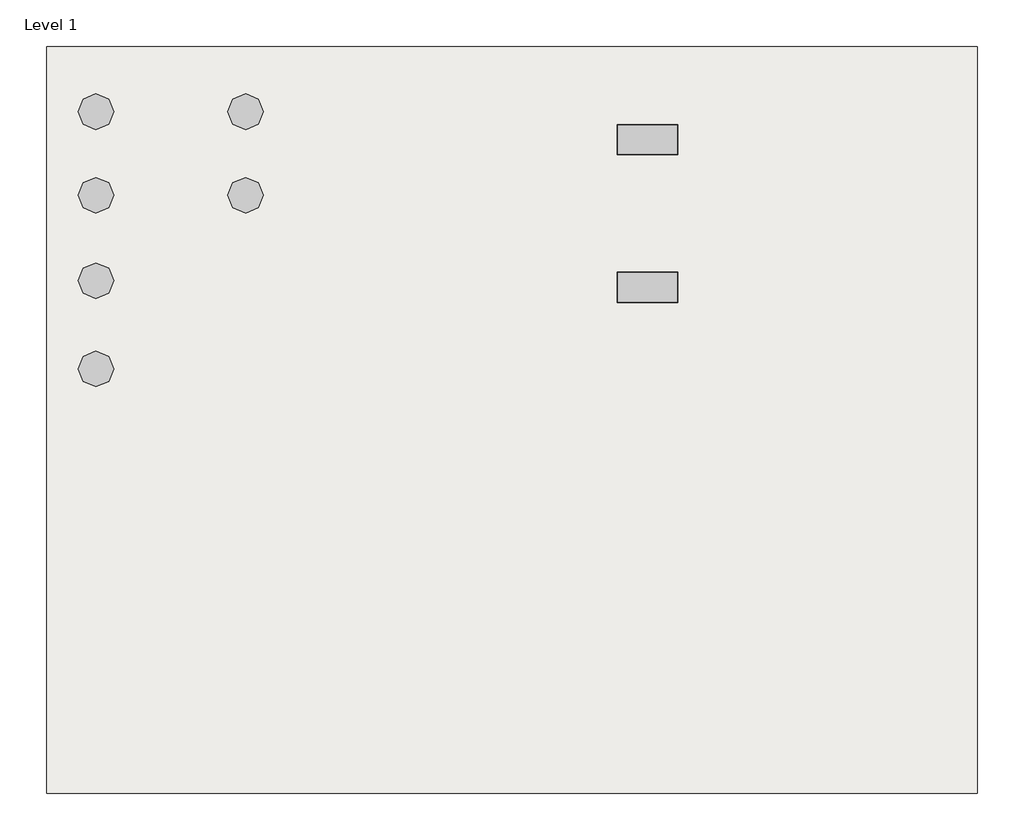
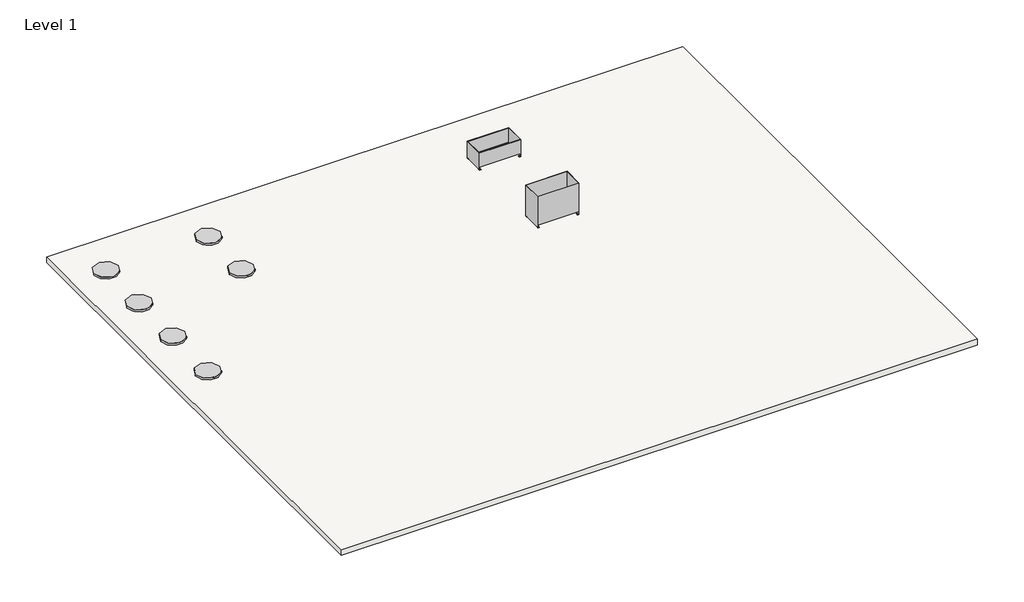
# One storey: 6 proxies, 2 furniture elements, 1 slab.
"""IFC4 building model written with IfcOpenShell, lengths in millimetres."""

import ifcopenshell
import ifcopenshell.guid

model = None  # the IFC model being written
_history = None  # IfcOwnerHistory: only IFC2X3 demands one
_inside = {}  # id of a spatial element -> (the spatial element, [elements in it])
_under = {}  # id of a project, library or spatial element -> (it, [spatial elements below it])
_declared = {}  # id of a project -> (the project, [libraries it declares])
_typed = {}  # id of a type object -> (the type object, [elements of that type])
_made_of = {}  # id of a material, layer set ... -> (it, [elements and type objects made of it])


def new_model(schema):
    """Start an empty IFC model of exactly this schema.

    Asked for "IFC4X3", IfcOpenShell would pick the latest addendum, in which some entities
    have other attributes; the version numbers below select the first issue.
    IFC2X3 requires an IfcOwnerHistory on every rooted entity: one is made here for all.
    """
    global model, _history
    if schema == "IFC4X3":
        model = ifcopenshell.file(schema_version=(4, 3, 0, 0))
    else:
        model = ifcopenshell.file(schema=schema)
    _inside.clear()
    _under.clear()
    _declared.clear()
    _typed.clear()
    _made_of.clear()
    _history = None
    if model.schema == "IFC2X3":
        org = make("IfcOrganization", Name="unknown")
        user = make(
            "IfcPersonAndOrganization",
            ThePerson=make("IfcPerson", FamilyName="unknown"),
            TheOrganization=org,
        )
        app = make(
            "IfcApplication",
            ApplicationDeveloper=org,
            Version="unknown",
            ApplicationFullName="unknown",
            ApplicationIdentifier="unknown",
        )
        _history = make(
            "IfcOwnerHistory",
            OwningUser=user,
            OwningApplication=app,
            ChangeAction="ADDED",
            CreationDate=0,
        )
    return model


def make(cls, **values):
    """One entity of the class cls with the attributes given. An attribute that is None is left unset."""
    return model.create_entity(
        cls, **{name: value for name, value in values.items() if value is not None}
    )


def rooted(cls, **values):
    """An entity with a GlobalId (a new one), such as an element, a storey or a relation."""
    return make(cls, GlobalId=ifcopenshell.guid.new(), OwnerHistory=_history, **values)


def si_unit(unit_type, name, prefix=None):
    """IfcSIUnit, for example si_unit("LENGTHUNIT", "METRE", prefix="MILLI")."""
    return make("IfcSIUnit", UnitType=unit_type, Prefix=prefix, Name=name)


def assignment(units):
    """IfcUnitAssignment: the units of a project."""
    return None if units is None else make("IfcUnitAssignment", Units=units)


def point(xyz):
    """IfcCartesianPoint."""
    return None if xyz is None else make("IfcCartesianPoint", Coordinates=xyz)


def direction(xyz):
    """IfcDirection."""
    return None if xyz is None else make("IfcDirection", DirectionRatios=xyz)


def frame(location, z_axis=None, x_axis=None):
    """IfcAxis2Placement3D, a coordinate frame: its origin and axes. An axis left out is left unset."""
    return make(
        "IfcAxis2Placement3D",
        Location=point(location),
        Axis=direction(z_axis),
        RefDirection=direction(x_axis),
    )


def frame_2d(location, x_axis=None):
    """IfcAxis2Placement2D, a coordinate frame in the plane: its origin and x axis."""
    return make(
        "IfcAxis2Placement2D", Location=point(location), RefDirection=direction(x_axis)
    )


def origin():
    """The frame at (0, 0, 0) with its axes left unset."""
    return frame((0.0, 0.0, 0.0))


def origin_with_axes():
    """The frame at (0, 0, 0) with the z axis (0, 0, 1) and the x axis (1, 0, 0) written out."""
    return frame((0.0, 0.0, 0.0), z_axis=(0.0, 0.0, 1.0), x_axis=(1.0, 0.0, 0.0))


def origin_2d():
    """The frame at (0, 0) in the plane with its x axis left unset."""
    return frame_2d((0.0, 0.0))


def place(relative_to, where):
    """IfcLocalPlacement: puts the frame where relative to a parent placement (None: the world)."""
    return make(
        "IfcLocalPlacement", PlacementRelTo=relative_to, RelativePlacement=where
    )


def context(
    kind, dimensions, precision=None, world=None, true_north=None, identifier=None
):
    """IfcGeometricRepresentationContext, for example the 3D "Model" context."""
    return make(
        "IfcGeometricRepresentationContext",
        ContextIdentifier=identifier,
        ContextType=kind,
        CoordinateSpaceDimension=dimensions,
        Precision=precision,
        WorldCoordinateSystem=world,
        TrueNorth=true_north,
    )


def project(units=None, contexts=None):
    """IfcProject with its units and contexts."""
    return rooted(
        "IfcProject",
        Name="project",
        RepresentationContexts=contexts,
        UnitsInContext=assignment(units),
    )


def spatial(cls, under=None, at=None, **own):
    """A site, building, storey or space (cls), placed at a placement, below another one or the project."""
    s = rooted(cls, ObjectPlacement=at, **own)
    if under is not None:
        _under.setdefault(under.id(), (under, []))[1].append(s)
    return s


def polyline(points):
    """IfcPolyline through the points."""
    return make("IfcPolyline", Points=[point(p) for p in points])


def circle_curve(where, radius):
    """IfcCircle in the frame where."""
    return make("IfcCircle", Position=where, Radius=radius)


def trimmed(basis, trim1, trim2, sense, master):
    """IfcTrimmedCurve: the piece of a basis curve between two trims."""
    return make(
        "IfcTrimmedCurve",
        BasisCurve=basis,
        Trim1=trim1,
        Trim2=trim2,
        SenseAgreement=sense,
        MasterRepresentation=master,
    )


def segment(curve, same_sense, transition):
    """IfcCompositeCurveSegment."""
    return make(
        "IfcCompositeCurveSegment",
        Transition=transition,
        SameSense=same_sense,
        ParentCurve=curve,
    )


def composite_curve(segments, self_intersect=None):
    """IfcCompositeCurve: segments joined end to end."""
    return make("IfcCompositeCurve", Segments=segments, SelfIntersect=self_intersect)


def outline(outer, holes=None, kind="AREA"):
    """IfcArbitraryClosedProfileDef: a profile drawn as a closed curve; with holes, ...WithVoids."""
    if holes is None:
        return make("IfcArbitraryClosedProfileDef", ProfileType=kind, OuterCurve=outer)
    return make(
        "IfcArbitraryProfileDefWithVoids",
        ProfileType=kind,
        OuterCurve=outer,
        InnerCurves=holes,
    )


def extrude(swept, where, along, depth):
    """IfcExtrudedAreaSolid: the profile swept, set in the frame where, extruded along a direction by depth."""
    return make(
        "IfcExtrudedAreaSolid",
        SweptArea=swept,
        Position=where,
        ExtrudedDirection=direction(along),
        Depth=depth,
    )


def shape(context_of_items, identifier, shape_type, items):
    """IfcShapeRepresentation: the items that make up one representation, for example the "Body"."""
    return make(
        "IfcShapeRepresentation",
        ContextOfItems=context_of_items,
        RepresentationIdentifier=identifier,
        RepresentationType=shape_type,
        Items=items,
    )


def source(mapping_origin, context_of_items, identifier, shape_type, items):
    """IfcRepresentationMap: a shape defined once, which mapped items show again and again."""
    return make(
        "IfcRepresentationMap",
        MappingOrigin=mapping_origin,
        MappedRepresentation=shape(context_of_items, identifier, shape_type, items),
    )


def transform(
    local_origin,
    x_axis=None,
    y_axis=None,
    z_axis=None,
    scale=None,
    scale2=None,
    scale3=None,
    uniform=True,
):
    """IfcCartesianTransformationOperator3D, or its non-uniform kind. x_axis, y_axis, z_axis: its Axis1, 2, 3."""
    if uniform:
        return make(
            "IfcCartesianTransformationOperator3D",
            Axis1=direction(x_axis),
            Axis2=direction(y_axis),
            LocalOrigin=point(local_origin),
            Scale=scale,
            Axis3=direction(z_axis),
        )
    return make(
        "IfcCartesianTransformationOperator3DnonUniform",
        Axis1=direction(x_axis),
        Axis2=direction(y_axis),
        LocalOrigin=point(local_origin),
        Scale=scale,
        Axis3=direction(z_axis),
        Scale2=scale2,
        Scale3=scale3,
    )


def mapped(mapping_source, mapping_target):
    """IfcMappedItem: shows the shape of a source again, moved by a transform."""
    return make(
        "IfcMappedItem", MappingSource=mapping_source, MappingTarget=mapping_target
    )


def made_of(thing, what):
    """Note that an element or type object is made of a material, layer set ...; save() writes the relation."""
    if what is not None:
        _made_of.setdefault(what.id(), (what, []))[1].append(thing)
    return thing


def element(
    cls,
    number,
    at=None,
    inside=None,
    cuts=None,
    type_object=None,
    material=None,
    context=None,
    identifier="Body",
    shape_type=None,
    held_by="IfcProductDefinitionShape",
    body=None,
    shapes=None,
    **own,
):
    """One element of the class cls, such as IfcWall. Its Tag is "e" and its number.

    at: its placement. inside: the storey or other place that contains it. cuts: it is an
    opening in that element (IfcRelVoidsElement). A single representation is given by context,
    identifier, shape_type and body (its items); several are given by shapes. held_by: the class
    of the entity that holds the representations. save() writes the other relations.
    """
    e = rooted(cls, Tag="e%d" % number, ObjectPlacement=at, **own)
    if body is not None:
        shapes = [shape(context, identifier, shape_type, body)]
    if shapes is not None:
        e.Representation = make(held_by, Representations=shapes)
    if inside is not None:
        _inside.setdefault(inside.id(), (inside, []))[1].append(e)
    if cuts is not None:
        rooted(
            "IfcRelVoidsElement", RelatingBuildingElement=cuts, RelatedOpeningElement=e
        )
    if type_object is not None:
        _typed.setdefault(type_object.id(), (type_object, []))[1].append(e)
    return made_of(e, material)


def aggregate(whole, parts):
    """IfcRelAggregates: a whole, such as a stair, and the parts it consists of."""
    return rooted("IfcRelAggregates", RelatingObject=whole, RelatedObjects=parts)


def save(model, path):
    """Write the relations noted so far, then the file.

    IfcRelAggregates (storeys below a building ...), IfcRelContainedInSpatialStructure (elements
    in a storey), IfcRelDefinesByType, IfcRelAssociatesMaterial and IfcRelDeclares: one each for
    every whole, place, type object, material and project.
    """
    for whole, parts in _under.values():
        aggregate(whole, parts)
    for where, things in _inside.values():
        rooted(
            "IfcRelContainedInSpatialStructure",
            RelatedElements=things,
            RelatingStructure=where,
        )
    for kind, things in _typed.values():
        rooted("IfcRelDefinesByType", RelatedObjects=things, RelatingType=kind)
    for what, things in _made_of.values():
        rooted("IfcRelAssociatesMaterial", RelatedObjects=things, RelatingMaterial=what)
    for by, libraries in _declared.values():
        rooted("IfcRelDeclares", RelatingContext=by, RelatedDefinitions=libraries)
    model.write(path)


def plane_surface(at):
    """IfcPlane: the flat surface through the origin of the frame at, square to its z axis."""
    return make("IfcPlane", Position=at)


def cylinder_surface(at, radius):
    """IfcCylindricalSurface: all points at the distance radius from the z axis of the frame at."""
    return make("IfcCylindricalSurface", Position=at, Radius=radius)


def revolved_surface(curve, axis_point, axis_direction):
    """IfcSurfaceOfRevolution: the curve turned about the line through axis_point along axis_direction."""
    return make(
        "IfcSurfaceOfRevolution",
        SweptCurve=make("IfcArbitraryOpenProfileDef", ProfileType="CURVE", Curve=curve),
        AxisPosition=make("IfcAxis1Placement", Location=point(axis_point), Axis=direction(axis_direction)),
    )


def advanced_brep(points, edges, surfaces, faces):
    """IfcAdvancedBrep: a solid bounded by faces that lie on surfaces and meet in shared edges.

    An edge is (start, end): straight between two places in points (the first is 0);
    or (start, end, curve); or (start, end, curve, False) where it runs against its curve.
    A face is (place in surfaces, loops), or (place, loops, False) where it looks against
    its surface's normal. A loop lists edges by number (the first is 1), with a minus sign
    where the edge is run from its end to its start. The first loop is the outer one.
    """
    corners = [point(p) for p in points]
    vertices = [make("IfcVertexPoint", VertexGeometry=c) for c in corners]
    made = []
    for start, end, *more in edges:
        made.append(
            make(
                "IfcEdgeCurve",
                EdgeStart=vertices[start],
                EdgeEnd=vertices[end],
                EdgeGeometry=more[0] if more else make("IfcPolyline", Points=[corners[start], corners[end]]),
                SameSense=more[1] if len(more) > 1 else True,
            )
        )
    hull = []
    for where, loops, *sense in faces:
        bounds = []
        for j, loop in enumerate(loops):
            ring = [make("IfcOrientedEdge", EdgeElement=made[abs(k) - 1], Orientation=k > 0) for k in loop]
            bounds.append(
                make(
                    "IfcFaceOuterBound" if j == 0 else "IfcFaceBound",
                    Bound=make("IfcEdgeLoop", EdgeList=ring),
                    Orientation=True,
                )
            )
        hull.append(make("IfcAdvancedFace", Bounds=bounds, FaceSurface=surfaces[where], SameSense=sense[0] if sense else True))
    return make("IfcAdvancedBrep", Outer=make("IfcClosedShell", CfsFaces=hull))


def materialmodel_materialmodel_f1c05be1(model_context):
    return source(origin(), model_context, "Body", "SweptSolid", [
        extrude(outline(composite_curve([segment(trimmed(circle_curve(origin_2d(), 300.0), [point((-300.0, 0.0))], [point((300.0, 0.0))], False, "CARTESIAN"), True, "CONTINUOUS"), segment(trimmed(circle_curve(origin_2d(), 300.0), [point((300.0, 0.0))], [point((-300.0, 0.0))], False, "CARTESIAN"), True, "CONTINUOUS")], self_intersect=False)), origin_with_axes(), (0.0, 0.0, 1.0), 50.0),
    ])


def vestre_via_planter_1381_vestre_via_planter_1381_0e17301b(model_context):
    return source(origin(), model_context, "Body", "SolidModel", [
        extrude(outline(polyline([(500.16, 245.0), (500.16, -245.0), (-500.16, -245.0), (-500.16, 245.0), (500.16, 245.0)])), frame((0.0, 0.0, 80.0), z_axis=(0.0, 0.0, 1.0), x_axis=(1.0, 0.0, 0.0)), (0.0, 0.0, 1.0), 3.0),
        advanced_brep(
        [(510.0, 255.0, 13.0669165), (496.9330835, 255.0, 0.0), (469.9901316, 255.0, 0.0), (469.9901316, 255.0, 9.84), (494.7470471, 255.0, 9.84), (500.16, 255.0, 15.2529529), (500.16, 255.0, 80.0), (-500.16, 255.0, 80.0), (-500.16, 255.0, 15.2529529), (-494.7470471, 255.0, 9.84), (-469.9901316, 255.0, 9.84), (-469.9901316, 255.0, 0.0), (-496.9330835, 255.0, 0.0), (-510.0, 255.0, 13.0669165), (-510.0, 255.0, 450.0), (510.0, 255.0, 450.0), (500.16, 215.0, 16.34), (500.16, 215.0, 15.2529529), (494.7470471, 215.0, 9.84), (469.9901316, 215.0, 9.84), (469.9901316, 215.0, 0.0), (496.9330835, 215.0, 0.0), (510.0, 215.0, 13.0669165), (510.0, 215.0, 16.34), (500.16, -215.0, 16.34), (500.16, -215.0, 15.2529529), (500.16, -255.0, 15.2529529), (500.16, -255.0, 80.0), (500.16, -245.0, 80.0), (500.16, -245.0, 450.0), (500.16, 245.0, 450.0), (500.16, 245.0, 80.0), (510.0, -255.0, 450.0), (510.0, -255.0, 13.0669165), (510.0, -215.0, 13.0669165), (510.0, -215.0, 16.34), (-510.0, -255.0, 450.0), (-500.16, -245.0, 450.0), (-500.16, 245.0, 450.0), (494.7470471, -255.0, 9.84), (469.9901316, -255.0, 9.84), (469.9901316, -255.0, 0.0), (496.9330835, -255.0, 0.0), (-510.0, -255.0, 13.0669165), (-496.9330835, -255.0, 0.0), (-469.9901316, -255.0, 0.0), (-469.9901316, -255.0, 9.84), (-494.7470471, -255.0, 9.84), (-500.16, -255.0, 15.2529529), (-500.16, -255.0, 80.0), (496.9330835, -215.0, 0.0), (469.9901316, -215.0, 0.0), (469.9901316, -215.0, 9.84), (494.7470471, -215.0, 9.84), (-500.16, -215.0, 16.34), (-500.16, 215.0, 16.34), (-500.16, 215.0, 15.2529529), (-500.16, 245.0, 80.0), (-500.16, -245.0, 80.0), (-500.16, -215.0, 15.2529529), (-510.0, 215.0, 16.34), (-510.0, -215.0, 16.34), (-510.0, -215.0, 13.0669165), (-510.0, 215.0, 13.0669165), (-494.7470471, -215.0, 9.84), (-469.9901316, -215.0, 9.84), (-469.9901316, -215.0, 0.0), (-496.9330835, -215.0, 0.0), (-496.9330835, 215.0, 0.0), (-469.9901316, 215.0, 0.0), (-469.9901316, 215.0, 9.84), (-494.7470471, 215.0, 9.84)],
        [
            (0, 1, circle_curve(frame((496.9330835, 255.0, 13.0669165), z_axis=(0.0, 1.0, 0.0), x_axis=(-1.0, 0.0, 0.0)), 13.0669165)),
            (1, 2),
            (2, 3),
            (3, 4),
            (4, 5, circle_curve(frame((494.7470471, 255.0, 15.2529529), z_axis=(0.0, -1.0, 0.0), x_axis=(-1.0, 0.0, 0.0)), 5.4129529)),
            (5, 6),
            (6, 7),
            (7, 8),
            (8, 9, circle_curve(frame((-494.7470471, 255.0, 15.2529529), z_axis=(0.0, -1.0, 0.0), x_axis=(1.0, 0.0, 0.0)), 5.4129529)),
            (9, 10),
            (10, 11),
            (11, 12),
            (12, 13, circle_curve(frame((-496.9330835, 255.0, 13.0669165), z_axis=(0.0, 1.0, 0.0), x_axis=(1.0, 0.0, 0.0)), 13.0669165)),
            (13, 14),
            (14, 15),
            (15, 0),
            (16, 17),
            (17, 18, circle_curve(frame((494.7470471, 215.0, 15.2529529), z_axis=(0.0, 1.0, 0.0), x_axis=(-1.0, 0.0, 0.0)), 5.4129529)),
            (18, 19),
            (19, 20),
            (20, 21),
            (21, 22, circle_curve(frame((496.9330835, 215.0, 13.0669165), z_axis=(0.0, -1.0, 0.0), x_axis=(-1.0, 0.0, 0.0)), 13.0669165)),
            (22, 23),
            (23, 16),
            (1, 21),
            (20, 2),
            (19, 3),
            (18, 4),
            (17, 5),
            (16, 24, circle_curve(frame((500.16, 0.0, -1337.7210854), z_axis=(1.0, 0.0, 0.0), x_axis=(0.0, -1.0, 0.0)), 1371.0238594)),
            (24, 25),
            (25, 26),
            (26, 27),
            (27, 28),
            (28, 29),
            (29, 30),
            (30, 31),
            (31, 6),
            (22, 0),
            (15, 32),
            (32, 33),
            (33, 34),
            (34, 35),
            (35, 23, circle_curve(frame((510.0, 0.0, -1337.7210854), z_axis=(-1.0, 0.0, 0.0), x_axis=(0.0, -1.0, 0.0)), 1371.0238594)),
            (35, 24),
            (14, 36),
            (36, 32),
            (29, 37),
            (37, 38),
            (38, 30),
            (26, 39, circle_curve(frame((494.7470471, -255.0, 15.2529529), z_axis=(0.0, 1.0, 0.0), x_axis=(-1.0, 0.0, 0.0)), 5.4129529)),
            (39, 40),
            (40, 41),
            (41, 42),
            (42, 33, circle_curve(frame((496.9330835, -255.0, 13.0669165), z_axis=(0.0, -1.0, 0.0), x_axis=(-1.0, 0.0, 0.0)), 13.0669165)),
            (36, 43),
            (43, 44, circle_curve(frame((-496.9330835, -255.0, 13.0669165), z_axis=(0.0, -1.0, 0.0), x_axis=(1.0, 0.0, 0.0)), 13.0669165)),
            (44, 45),
            (45, 46),
            (46, 47),
            (47, 48, circle_curve(frame((-494.7470471, -255.0, 15.2529529), z_axis=(0.0, 1.0, 0.0), x_axis=(1.0, 0.0, 0.0)), 5.4129529)),
            (48, 49),
            (49, 27),
            (34, 50, circle_curve(frame((496.9330835, -215.0, 13.0669165), z_axis=(0.0, 1.0, 0.0), x_axis=(-1.0, 0.0, 0.0)), 13.0669165)),
            (50, 51),
            (51, 52),
            (52, 53),
            (53, 25, circle_curve(frame((494.7470471, -215.0, 15.2529529), z_axis=(0.0, -1.0, 0.0), x_axis=(-1.0, 0.0, 0.0)), 5.4129529)),
            (41, 51),
            (50, 42),
            (40, 52),
            (39, 53),
            (54, 55, circle_curve(frame((-500.16, 0.0, -1337.7210854), z_axis=(-1.0, 0.0, 0.0), x_axis=(0.0, -1.0, 0.0)), 1371.0238594)),
            (55, 56),
            (56, 8),
            (7, 57),
            (57, 38),
            (37, 58),
            (58, 49),
            (48, 59),
            (59, 54),
            (60, 61, circle_curve(frame((-510.0, 0.0, -1337.7210854), z_axis=(1.0, 0.0, 0.0), x_axis=(0.0, -1.0, 0.0)), 1371.0238594)),
            (61, 62),
            (62, 43),
            (13, 63),
            (63, 60),
            (54, 61),
            (60, 55),
            (59, 64, circle_curve(frame((-494.7470471, -215.0, 15.2529529), z_axis=(0.0, -1.0, 0.0), x_axis=(1.0, 0.0, 0.0)), 5.4129529)),
            (64, 65),
            (65, 66),
            (66, 67),
            (67, 62, circle_curve(frame((-496.9330835, -215.0, 13.0669165), z_axis=(0.0, 1.0, 0.0), x_axis=(1.0, 0.0, 0.0)), 13.0669165)),
            (44, 67),
            (66, 45),
            (65, 46),
            (64, 47),
            (63, 68, circle_curve(frame((-496.9330835, 215.0, 13.0669165), z_axis=(0.0, -1.0, 0.0), x_axis=(1.0, 0.0, 0.0)), 13.0669165)),
            (68, 69),
            (69, 70),
            (70, 71),
            (71, 56, circle_curve(frame((-494.7470471, 215.0, 15.2529529), z_axis=(0.0, 1.0, 0.0), x_axis=(1.0, 0.0, 0.0)), 5.4129529)),
            (11, 69),
            (68, 12),
            (10, 70),
            (9, 71),
            (28, 58),
            (57, 31),
        ],
        [
            plane_surface(frame((510.0, 255.0, 16.34), z_axis=(0.0, 1.0, 0.0), x_axis=(1.0, 0.0, 0.0))),
            plane_surface(frame((510.0, 215.0, 16.34), z_axis=(0.0, -1.0, 0.0), x_axis=(-1.0, 0.0, 0.0))),
            plane_surface(frame((496.9330835, 255.0, 0.0), z_axis=(0.0, 0.0, -1.0), x_axis=(0.0, -1.0, 0.0))),
            plane_surface(frame((469.9901316, 255.0, 0.0), z_axis=(-1.0, 0.0, 0.0), x_axis=(0.0, -1.0, 0.0))),
            plane_surface(frame((469.9901316, 255.0, 9.84), z_axis=(0.0, 0.0, 1.0), x_axis=(0.0, -1.0, 0.0))),
            revolved_surface(polyline([(489.3340942, 215.0, 15.2529529), (489.3340942, 255.0, 15.2529529)]), (494.7470471, 215.0, 15.2529529), (0.0, -1.0, 0.0)),
            plane_surface(frame((500.16, 255.0, 15.2529529), z_axis=(-1.0, 0.0, 0.0), x_axis=(0.0, -1.0, 0.0))),
            plane_surface(frame((510.0, 255.0, 16.34), z_axis=(1.0, 0.0, 0.0), x_axis=(0.0, -1.0, 0.0))),
            cylinder_surface(frame((496.9330835, 215.0, 13.0669165), z_axis=(0.0, 1.0, 0.0), x_axis=(-1.0, 0.0, 0.0)), 13.0669165),
            revolved_surface(polyline([(510.0, -1371.0238594, -1337.7210854), (500.16, -1371.0238594, -1337.7210854)]), (510.0, 0.0, -1337.7210854), (1.0, 0.0, 0.0)),
            plane_surface(frame((500.16, -245.0, 450.0), z_axis=(0.0, 0.0, 1.0), x_axis=(1.0, 0.0, 0.0))),
            plane_surface(frame((500.16, -255.0, 16.34), z_axis=(0.0, -1.0, 0.0), x_axis=(1.0, 0.0, 0.0))),
            plane_surface(frame((500.16, -215.0, 16.34), z_axis=(0.0, 1.0, 0.0), x_axis=(0.0, 0.0, 1.0))),
            plane_surface(frame((469.9901316, -255.0, 0.0), z_axis=(0.0, 0.0, -1.0), x_axis=(0.0, 1.0, 0.0))),
            plane_surface(frame((469.9901316, -255.0, 9.84), z_axis=(-1.0, 0.0, 0.0), x_axis=(0.0, 1.0, 0.0))),
            plane_surface(frame((494.7470471, -255.0, 9.84), z_axis=(0.0, 0.0, 1.0), x_axis=(0.0, 1.0, 0.0))),
            revolved_surface(polyline([(489.3340942, -215.0, 15.2529529), (489.3340942, -255.0, 15.2529529)]), (494.7470471, -215.0, 15.2529529), (0.0, 1.0, 0.0)),
            cylinder_surface(frame((496.9330835, -215.0, 13.0669165), z_axis=(0.0, -1.0, 0.0), x_axis=(-1.0, 0.0, 0.0)), 13.0669165),
            plane_surface(frame((-500.16, -215.0031249, 16.34), z_axis=(1.0, 0.0, 0.0), x_axis=(0.0, 1.0, 0.0))),
            plane_surface(frame((-510.0, -215.0031249, 16.34), z_axis=(-1.0, 0.0, 0.0), x_axis=(0.0, -1.0, 0.0))),
            revolved_surface(polyline([(-510.0, -1371.0238594, -1337.7210854), (-500.16, -1371.0238594, -1337.7210854)]), (-510.0, 0.0, -1337.7210854), (-1.0, 0.0, 0.0)),
            plane_surface(frame((-510.0, -215.0, 16.34), z_axis=(0.0, 1.0, 0.0), x_axis=(1.0, 0.0, 0.0))),
            plane_surface(frame((-496.9330835, -255.0, 0.0), z_axis=(0.0, 0.0, -1.0), x_axis=(0.0, 1.0, 0.0))),
            plane_surface(frame((-469.9901316, -255.0, 0.0), z_axis=(1.0, 0.0, 0.0), x_axis=(0.0, 1.0, 0.0))),
            plane_surface(frame((-469.9901316, -255.0, 9.84), z_axis=(0.0, 0.0, 1.0), x_axis=(0.0, 1.0, 0.0))),
            revolved_surface(polyline([(-489.3340942, -215.0, 15.2529529), (-489.3340942, -255.0, 15.2529529)]), (-494.7470471, -215.0, 15.2529529), (0.0, 1.0, 0.0)),
            cylinder_surface(frame((-496.9330835, -215.0, 13.0669165), z_axis=(0.0, -1.0, 0.0), x_axis=(1.0, 0.0, 0.0)), 13.0669165),
            plane_surface(frame((-500.16, 215.0, 16.34), z_axis=(0.0, -1.0, 0.0), x_axis=(0.0, 0.0, 1.0))),
            plane_surface(frame((-469.9901316, 255.0, 0.0), z_axis=(0.0, 0.0, -1.0), x_axis=(0.0, -1.0, 0.0))),
            plane_surface(frame((-469.9901316, 255.0, 9.84), z_axis=(1.0, 0.0, 0.0), x_axis=(0.0, -1.0, 0.0))),
            plane_surface(frame((-494.7470471, 255.0, 9.84), z_axis=(0.0, 0.0, 1.0), x_axis=(0.0, -1.0, 0.0))),
            revolved_surface(polyline([(-489.3340942, 215.0, 15.2529529), (-489.3340942, 255.0, 15.2529529)]), (-494.7470471, 215.0, 15.2529529), (0.0, -1.0, 0.0)),
            cylinder_surface(frame((-496.9330835, 215.0, 13.0669165), z_axis=(0.0, 1.0, 0.0), x_axis=(1.0, 0.0, 0.0)), 13.0669165),
            plane_surface(frame((-510.0, -245.0, 450.0), z_axis=(0.0, 1.0, 0.0), x_axis=(0.0, 0.0, 1.0))),
            plane_surface(frame((-510.0, -255.0, 80.0), z_axis=(0.0, 0.0, -1.0), x_axis=(0.0, 1.0, 0.0))),
            plane_surface(frame((510.0, 245.0, 450.0), z_axis=(0.0, -1.0, 0.0), x_axis=(-1.0, 0.0, 0.0))),
            plane_surface(frame((510.0, 255.0, 80.0), z_axis=(0.0, 0.0, -1.0), x_axis=(0.0, -1.0, 0.0))),
        ],
        [
            (0, [[1, 2, 3, 4, 5, 6, 7, 8, 9, 10, 11, 12, 13, 14, 15, 16]]),
            (1, [[17, 18, 19, 20, 21, 22, 23, 24]]),
            (2, [[-2, 25, -21, 26]]),
            (3, [[-3, -26, -20, 27]]),
            (4, [[-4, -27, -19, 28]]),
            (5, [[-5, -28, -18, 29]]),
            (6, [[-17, 30, 31, 32, 33, 34, 35, 36, 37, 38, -6, -29]]),
            (7, [[-23, 39, -16, 40, 41, 42, 43, 44]]),
            (8, [[-1, -39, -22, -25]]),
            (9, [[-30, -24, -44, 45]]),
            (10, [[-40, -15, 46, 47], [-36, 48, 49, 50]]),
            (11, [[51, 52, 53, 54, 55, -41, -47, 56, 57, 58, 59, 60, 61, 62, 63, -33]]),
            (12, [[-43, 64, 65, 66, 67, 68, -31, -45]]),
            (13, [[-54, 69, -65, 70]]),
            (14, [[-53, 71, -66, -69]]),
            (15, [[-52, 72, -67, -71]]),
            (16, [[-51, -32, -68, -72]]),
            (17, [[-55, -70, -64, -42]]),
            (18, [[73, 74, 75, -8, 76, 77, -49, 78, 79, -62, 80, 81]]),
            (19, [[82, 83, 84, -56, -46, -14, 85, 86]]),
            (20, [[-73, 87, -82, 88]]),
            (21, [[-81, 89, 90, 91, 92, 93, -83, -87]]),
            (22, [[-58, 94, -92, 95]]),
            (23, [[-59, -95, -91, 96]]),
            (24, [[-60, -96, -90, 97]]),
            (25, [[-61, -97, -89, -80]]),
            (26, [[-57, -84, -93, -94]]),
            (27, [[-86, 98, 99, 100, 101, 102, -74, -88]]),
            (28, [[-12, 103, -99, 104]]),
            (29, [[-11, 105, -100, -103]]),
            (30, [[-10, 106, -101, -105]]),
            (31, [[-9, -75, -102, -106]]),
            (32, [[-13, -104, -98, -85]]),
            (33, [[-48, -35, 107, -78]]),
            (34, [[-107, -34, -63, -79]]),
            (35, [[-50, -77, 108, -37]]),
            (36, [[-7, -38, -108, -76]]),
        ],
    ),
    ])


def vestre_via_planter_1384_vestre_via_planter_1384_c4c06e17(model_context):
    return source(origin(), model_context, "Body", "AdvancedBrep", [
        advanced_brep(
        [(510.0, 255.0, 13.0669165), (496.9330835, 255.0, 0.0), (469.9901316, 255.0, 0.0), (469.9901316, 255.0, 9.84), (494.7470471, 255.0, 9.84), (500.16, 255.0, 15.2529529), (500.16, 255.0, 80.0), (-500.16, 255.0, 80.0), (-500.16, 255.0, 15.2529529), (-494.7470471, 255.0, 9.84), (-469.9901316, 255.0, 9.84), (-469.9901316, 255.0, 0.0), (-496.9330835, 255.0, 0.0), (-510.0, 255.0, 13.0669165), (-510.0, 255.0, 820.0), (510.0, 255.0, 820.0), (500.16, 215.0, 16.34), (500.16, 215.0, 15.2529529), (494.7470471, 215.0, 9.84), (469.9901316, 215.0, 9.84), (469.9901316, 215.0, 0.0), (496.9330835, 215.0, 0.0), (510.0, 215.0, 13.0669165), (510.0, 215.0, 16.34), (500.16, -215.0, 16.34), (500.16, -215.0, 15.2529529), (500.16, -255.0, 15.2529529), (500.16, -255.0, 80.0), (500.16, -245.0, 820.0), (500.16, 245.0, 820.0), (500.16, 245.0, 83.0), (500.16, -245.0, 83.0), (510.0, -255.0, 820.0), (510.0, -255.0, 13.0669165), (510.0, -215.0, 13.0669165), (510.0, -215.0, 16.34), (-510.0, -255.0, 820.0), (-500.16, -245.0, 820.0), (-500.16, 245.0, 820.0), (494.7470471, -255.0, 9.84), (469.9901316, -255.0, 9.84), (469.9901316, -255.0, 0.0), (496.9330835, -255.0, 0.0), (-510.0, -255.0, 13.0669165), (-496.9330835, -255.0, 0.0), (-469.9901316, -255.0, 0.0), (-469.9901316, -255.0, 9.84), (-494.7470471, -255.0, 9.84), (-500.16, -255.0, 15.2529529), (-500.16, -255.0, 80.0), (496.9330835, -215.0, 0.0), (469.9901316, -215.0, 0.0), (469.9901316, -215.0, 9.84), (494.7470471, -215.0, 9.84), (-500.16, -245.0, 83.0), (-500.16, 245.0, 83.0), (-500.16, -215.0, 16.34), (-500.16, 215.0, 16.34), (-500.16, 215.0, 15.2529529), (-500.16, -215.0, 15.2529529), (-510.0, 215.0, 16.34), (-510.0, -215.0, 16.34), (-510.0, -215.0, 13.0669165), (-510.0, 215.0, 13.0669165), (-494.7470471, -215.0, 9.84), (-469.9901316, -215.0, 9.84), (-469.9901316, -215.0, 0.0), (-496.9330835, -215.0, 0.0), (-496.9330835, 215.0, 0.0), (-469.9901316, 215.0, 0.0), (-469.9901316, 215.0, 9.84), (-494.7470471, 215.0, 9.84)],
        [
            (0, 1, circle_curve(frame((496.9330835, 255.0, 13.0669165), z_axis=(0.0, 1.0, 0.0), x_axis=(-1.0, 0.0, 0.0)), 13.0669165)),
            (1, 2),
            (2, 3),
            (3, 4),
            (4, 5, circle_curve(frame((494.7470471, 255.0, 15.2529529), z_axis=(0.0, -1.0, 0.0), x_axis=(-1.0, 0.0, 0.0)), 5.4129529)),
            (5, 6),
            (6, 7),
            (7, 8),
            (8, 9, circle_curve(frame((-494.7470471, 255.0, 15.2529529), z_axis=(0.0, -1.0, 0.0), x_axis=(1.0, 0.0, 0.0)), 5.4129529)),
            (9, 10),
            (10, 11),
            (11, 12),
            (12, 13, circle_curve(frame((-496.9330835, 255.0, 13.0669165), z_axis=(0.0, 1.0, 0.0), x_axis=(1.0, 0.0, 0.0)), 13.0669165)),
            (13, 14),
            (14, 15),
            (15, 0),
            (16, 17),
            (17, 18, circle_curve(frame((494.7470471, 215.0, 15.2529529), z_axis=(0.0, 1.0, 0.0), x_axis=(-1.0, 0.0, 0.0)), 5.4129529)),
            (18, 19),
            (19, 20),
            (20, 21),
            (21, 22, circle_curve(frame((496.9330835, 215.0, 13.0669165), z_axis=(0.0, -1.0, 0.0), x_axis=(-1.0, 0.0, 0.0)), 13.0669165)),
            (22, 23),
            (23, 16),
            (1, 21),
            (20, 2),
            (19, 3),
            (18, 4),
            (17, 5),
            (16, 24, circle_curve(frame((500.16, 0.0, -1337.7210854), z_axis=(1.0, 0.0, 0.0), x_axis=(0.0, -1.0, 0.0)), 1371.0238594)),
            (24, 25),
            (25, 26),
            (26, 27),
            (27, 6),
            (28, 29),
            (29, 30),
            (30, 31),
            (31, 28),
            (22, 0),
            (15, 32),
            (32, 33),
            (33, 34),
            (34, 35),
            (35, 23, circle_curve(frame((510.0, 0.0, -1337.7210854), z_axis=(-1.0, 0.0, 0.0), x_axis=(0.0, -1.0, 0.0)), 1371.0238594)),
            (35, 24),
            (36, 32),
            (14, 36),
            (28, 37),
            (37, 38),
            (38, 29),
            (26, 39, circle_curve(frame((494.7470471, -255.0, 15.2529529), z_axis=(0.0, 1.0, 0.0), x_axis=(-1.0, 0.0, 0.0)), 5.4129529)),
            (39, 40),
            (40, 41),
            (41, 42),
            (42, 33, circle_curve(frame((496.9330835, -255.0, 13.0669165), z_axis=(0.0, -1.0, 0.0), x_axis=(-1.0, 0.0, 0.0)), 13.0669165)),
            (36, 43),
            (43, 44, circle_curve(frame((-496.9330835, -255.0, 13.0669165), z_axis=(0.0, -1.0, 0.0), x_axis=(1.0, 0.0, 0.0)), 13.0669165)),
            (44, 45),
            (45, 46),
            (46, 47),
            (47, 48, circle_curve(frame((-494.7470471, -255.0, 15.2529529), z_axis=(0.0, 1.0, 0.0), x_axis=(1.0, 0.0, 0.0)), 5.4129529)),
            (48, 49),
            (49, 27),
            (34, 50, circle_curve(frame((496.9330835, -215.0, 13.0669165), z_axis=(0.0, 1.0, 0.0), x_axis=(-1.0, 0.0, 0.0)), 13.0669165)),
            (50, 51),
            (51, 52),
            (52, 53),
            (53, 25, circle_curve(frame((494.7470471, -215.0, 15.2529529), z_axis=(0.0, -1.0, 0.0), x_axis=(-1.0, 0.0, 0.0)), 5.4129529)),
            (41, 51),
            (50, 42),
            (40, 52),
            (39, 53),
            (37, 54),
            (54, 55),
            (55, 38),
            (56, 57, circle_curve(frame((-500.16, 0.0, -1337.7210854), z_axis=(-1.0, 0.0, 0.0), x_axis=(0.0, -1.0, 0.0)), 1371.0238594)),
            (57, 58),
            (58, 8),
            (7, 49),
            (48, 59),
            (59, 56),
            (60, 61, circle_curve(frame((-510.0, 0.0, -1337.7210854), z_axis=(1.0, 0.0, 0.0), x_axis=(0.0, -1.0, 0.0)), 1371.0238594)),
            (61, 62),
            (62, 43),
            (13, 63),
            (63, 60),
            (56, 61),
            (60, 57),
            (59, 64, circle_curve(frame((-494.7470471, -215.0, 15.2529529), z_axis=(0.0, -1.0, 0.0), x_axis=(1.0, 0.0, 0.0)), 5.4129529)),
            (64, 65),
            (65, 66),
            (66, 67),
            (67, 62, circle_curve(frame((-496.9330835, -215.0, 13.0669165), z_axis=(0.0, 1.0, 0.0), x_axis=(1.0, 0.0, 0.0)), 13.0669165)),
            (44, 67),
            (66, 45),
            (65, 46),
            (64, 47),
            (63, 68, circle_curve(frame((-496.9330835, 215.0, 13.0669165), z_axis=(0.0, -1.0, 0.0), x_axis=(1.0, 0.0, 0.0)), 13.0669165)),
            (68, 69),
            (69, 70),
            (70, 71),
            (71, 58, circle_curve(frame((-494.7470471, 215.0, 15.2529529), z_axis=(0.0, 1.0, 0.0), x_axis=(1.0, 0.0, 0.0)), 5.4129529)),
            (11, 69),
            (68, 12),
            (10, 70),
            (9, 71),
            (31, 54),
            (55, 30),
        ],
        [
            plane_surface(frame((510.0, 255.0, 16.34), z_axis=(0.0, 1.0, 0.0), x_axis=(1.0, 0.0, 0.0))),
            plane_surface(frame((510.0, 215.0, 16.34), z_axis=(0.0, -1.0, 0.0), x_axis=(-1.0, 0.0, 0.0))),
            plane_surface(frame((496.9330835, 255.0, 0.0), z_axis=(0.0, 0.0, -1.0), x_axis=(0.0, -1.0, 0.0))),
            plane_surface(frame((469.9901316, 255.0, 0.0), z_axis=(-1.0, 0.0, 0.0), x_axis=(0.0, -1.0, 0.0))),
            plane_surface(frame((469.9901316, 255.0, 9.84), z_axis=(0.0, 0.0, 1.0), x_axis=(0.0, -1.0, 0.0))),
            revolved_surface(polyline([(489.3340942, 215.0, 15.2529529), (489.3340942, 255.0, 15.2529529)]), (494.7470471, 215.0, 15.2529529), (0.0, -1.0, 0.0)),
            plane_surface(frame((500.16, 255.0, 15.2529529), z_axis=(-1.0, 0.0, 0.0), x_axis=(0.0, -1.0, 0.0))),
            plane_surface(frame((510.0, 255.0, 16.34), z_axis=(1.0, 0.0, 0.0), x_axis=(0.0, -1.0, 0.0))),
            cylinder_surface(frame((496.9330835, 215.0, 13.0669165), z_axis=(0.0, 1.0, 0.0), x_axis=(-1.0, 0.0, 0.0)), 13.0669165),
            revolved_surface(polyline([(510.0, -1371.0238594, -1337.7210854), (500.16, -1371.0238594, -1337.7210854)]), (510.0, 0.0, -1337.7210854), (1.0, 0.0, 0.0)),
            plane_surface(frame((500.16, -245.0, 820.0), z_axis=(0.0, 0.0, 1.0), x_axis=(1.0, 0.0, 0.0))),
            plane_surface(frame((500.16, -255.0, 16.34), z_axis=(0.0, -1.0, 0.0), x_axis=(1.0, 0.0, 0.0))),
            plane_surface(frame((500.16, -215.0, 16.34), z_axis=(0.0, 1.0, 0.0), x_axis=(0.0, 0.0, 1.0))),
            plane_surface(frame((469.9901316, -255.0, 0.0), z_axis=(0.0, 0.0, -1.0), x_axis=(0.0, 1.0, 0.0))),
            plane_surface(frame((469.9901316, -255.0, 9.84), z_axis=(-1.0, 0.0, 0.0), x_axis=(0.0, 1.0, 0.0))),
            plane_surface(frame((494.7470471, -255.0, 9.84), z_axis=(0.0, 0.0, 1.0), x_axis=(0.0, 1.0, 0.0))),
            revolved_surface(polyline([(489.3340942, -215.0, 15.2529529), (489.3340942, -255.0, 15.2529529)]), (494.7470471, -215.0, 15.2529529), (0.0, 1.0, 0.0)),
            cylinder_surface(frame((496.9330835, -215.0, 13.0669165), z_axis=(0.0, -1.0, 0.0), x_axis=(-1.0, 0.0, 0.0)), 13.0669165),
            plane_surface(frame((-500.16, -215.0031249, 16.34), z_axis=(1.0, 0.0, 0.0), x_axis=(0.0, 1.0, 0.0))),
            plane_surface(frame((-510.0, -215.0031249, 16.34), z_axis=(-1.0, 0.0, 0.0), x_axis=(0.0, -1.0, 0.0))),
            revolved_surface(polyline([(-510.0, -1371.0238594, -1337.7210854), (-500.16, -1371.0238594, -1337.7210854)]), (-510.0, 0.0, -1337.7210854), (-1.0, 0.0, 0.0)),
            plane_surface(frame((-510.0, -215.0, 16.34), z_axis=(0.0, 1.0, 0.0), x_axis=(1.0, 0.0, 0.0))),
            plane_surface(frame((-496.9330835, -255.0, 0.0), z_axis=(0.0, 0.0, -1.0), x_axis=(0.0, 1.0, 0.0))),
            plane_surface(frame((-469.9901316, -255.0, 0.0), z_axis=(1.0, 0.0, 0.0), x_axis=(0.0, 1.0, 0.0))),
            plane_surface(frame((-469.9901316, -255.0, 9.84), z_axis=(0.0, 0.0, 1.0), x_axis=(0.0, 1.0, 0.0))),
            revolved_surface(polyline([(-489.3340942, -215.0, 15.2529529), (-489.3340942, -255.0, 15.2529529)]), (-494.7470471, -215.0, 15.2529529), (0.0, 1.0, 0.0)),
            cylinder_surface(frame((-496.9330835, -215.0, 13.0669165), z_axis=(0.0, -1.0, 0.0), x_axis=(1.0, 0.0, 0.0)), 13.0669165),
            plane_surface(frame((-500.16, 215.0, 16.34), z_axis=(0.0, -1.0, 0.0), x_axis=(0.0, 0.0, 1.0))),
            plane_surface(frame((-469.9901316, 255.0, 0.0), z_axis=(0.0, 0.0, -1.0), x_axis=(0.0, -1.0, 0.0))),
            plane_surface(frame((-469.9901316, 255.0, 9.84), z_axis=(1.0, 0.0, 0.0), x_axis=(0.0, -1.0, 0.0))),
            plane_surface(frame((-494.7470471, 255.0, 9.84), z_axis=(0.0, 0.0, 1.0), x_axis=(0.0, -1.0, 0.0))),
            revolved_surface(polyline([(-489.3340942, 215.0, 15.2529529), (-489.3340942, 255.0, 15.2529529)]), (-494.7470471, 215.0, 15.2529529), (0.0, -1.0, 0.0)),
            cylinder_surface(frame((-496.9330835, 215.0, 13.0669165), z_axis=(0.0, 1.0, 0.0), x_axis=(1.0, 0.0, 0.0)), 13.0669165),
            plane_surface(frame((-510.0, -245.0, 450.0), z_axis=(0.0, 1.0, 0.0), x_axis=(0.0, 0.0, 1.0))),
            plane_surface(frame((-510.0, -255.0, 80.0), z_axis=(0.0, 0.0, -1.0), x_axis=(0.0, 1.0, 0.0))),
            plane_surface(frame((510.0, 245.0, 820.0), z_axis=(0.0, -1.0, 0.0), x_axis=(-1.0, 0.0, 0.0))),
            plane_surface(frame((-500.16, 245.0, 83.0), z_axis=(0.0, 0.0, 1.0), x_axis=(-1.0, 0.0, 0.0))),
        ],
        [
            (0, [[1, 2, 3, 4, 5, 6, 7, 8, 9, 10, 11, 12, 13, 14, 15, 16]]),
            (1, [[17, 18, 19, 20, 21, 22, 23, 24]]),
            (2, [[-2, 25, -21, 26]]),
            (3, [[-3, -26, -20, 27]]),
            (4, [[-4, -27, -19, 28]]),
            (5, [[-5, -28, -18, 29]]),
            (6, [[-17, 30, 31, 32, 33, 34, -6, -29]]),
            (6, [[35, 36, 37, 38]]),
            (7, [[-23, 39, -16, 40, 41, 42, 43, 44]]),
            (8, [[-1, -39, -22, -25]]),
            (9, [[-30, -24, -44, 45]]),
            (10, [[46, -40, -15, 47], [-35, 48, 49, 50]]),
            (11, [[51, 52, 53, 54, 55, -41, -46, 56, 57, 58, 59, 60, 61, 62, 63, -33]]),
            (12, [[-43, 64, 65, 66, 67, 68, -31, -45]]),
            (13, [[-54, 69, -65, 70]]),
            (14, [[-53, 71, -66, -69]]),
            (15, [[-52, 72, -67, -71]]),
            (16, [[-51, -32, -68, -72]]),
            (17, [[-55, -70, -64, -42]]),
            (18, [[-49, 73, 74, 75]]),
            (18, [[76, 77, 78, -8, 79, -62, 80, 81]]),
            (19, [[82, 83, 84, -56, -47, -14, 85, 86]]),
            (20, [[-76, 87, -82, 88]]),
            (21, [[-81, 89, 90, 91, 92, 93, -83, -87]]),
            (22, [[-58, 94, -92, 95]]),
            (23, [[-59, -95, -91, 96]]),
            (24, [[-60, -96, -90, 97]]),
            (25, [[-61, -97, -89, -80]]),
            (26, [[-57, -84, -93, -94]]),
            (27, [[-86, 98, 99, 100, 101, 102, -77, -88]]),
            (28, [[-12, 103, -99, 104]]),
            (29, [[-11, 105, -100, -103]]),
            (30, [[-10, 106, -101, -105]]),
            (31, [[-9, -78, -102, -106]]),
            (32, [[-13, -104, -98, -85]]),
            (33, [[-48, -38, 107, -73]]),
            (34, [[-63, -79, -7, -34]]),
            (35, [[-50, -75, 108, -36]]),
            (36, [[-37, -108, -74, -107]]),
        ],
    ),
    ])


model = new_model("IFC4")

# Units and contexts
model_context = context("Model", 3, world=origin())
ifc_project = project(units=[si_unit("LENGTHUNIT", "METRE", prefix="MILLI")], contexts=[model_context])

# Site, building, storey
site = spatial("IfcSite", under=ifc_project)
building = spatial("IfcBuilding", under=site)
storey = spatial("IfcBuildingStorey", under=building, Name="Level 1", Elevation=0.0)

# Proxies
placement = place(None, origin())
materialmodel_materialmodel_shape = materialmodel_materialmodel_f1c05be1(model_context)
element("IfcBuildingElementProxy", 1, Name="MaterialModel : MaterialModel", ObjectType="MaterialModel : MaterialModel", at=placement, inside=storey, context=model_context, shape_type="MappedRepresentation", body=[
    mapped(materialmodel_materialmodel_shape, transform((-13116.1573883, 10277.0543529, 0.0), x_axis=(1.0, 0.0, 0.0), y_axis=(0.0, 1.0, 0.0), z_axis=(0.0, 0.0, 1.0))),
])
element("IfcBuildingElementProxy", 2, Name="MaterialModel : MaterialModel", ObjectType="MaterialModel : MaterialModel", at=placement, inside=storey, context=model_context, shape_type="MappedRepresentation", body=[
    mapped(materialmodel_materialmodel_shape, transform((-13116.1573883, 11686.0773566, 0.0), x_axis=(1.0, 0.0, 0.0), y_axis=(0.0, 1.0, 0.0), z_axis=(0.0, 0.0, 1.0))),
])
element("IfcBuildingElementProxy", 3, Name="MaterialModel : MaterialModel", ObjectType="MaterialModel : MaterialModel", at=placement, inside=storey, context=model_context, shape_type="MappedRepresentation", body=[
    mapped(materialmodel_materialmodel_shape, transform((-15639.3863235, 10277.0543529, 0.0), x_axis=(1.0, 0.0, 0.0), y_axis=(0.0, 1.0, 0.0), z_axis=(0.0, 0.0, 1.0))),
])
element("IfcBuildingElementProxy", 4, Name="MaterialModel : MaterialModel", ObjectType="MaterialModel : MaterialModel", at=placement, inside=storey, context=model_context, shape_type="MappedRepresentation", body=[
    mapped(materialmodel_materialmodel_shape, transform((-15639.3863235, 8834.4034737, 0.0), x_axis=(1.0, 0.0, 0.0), y_axis=(0.0, 1.0, 0.0), z_axis=(0.0, 0.0, 1.0))),
])
element("IfcBuildingElementProxy", 5, Name="MaterialModel : MaterialModel", ObjectType="MaterialModel : MaterialModel", at=placement, inside=storey, context=model_context, shape_type="MappedRepresentation", body=[
    mapped(materialmodel_materialmodel_shape, transform((-15639.3863235, 11686.0773566, 0.0), x_axis=(1.0, 0.0, 0.0), y_axis=(0.0, 1.0, 0.0), z_axis=(0.0, 0.0, 1.0))),
])
element("IfcBuildingElementProxy", 6, Name="MaterialModel : MaterialModel", ObjectType="MaterialModel : MaterialModel", at=placement, inside=storey, context=model_context, shape_type="MappedRepresentation", body=[
    mapped(materialmodel_materialmodel_shape, transform((-15639.3863235, 7345.1280053, 0.0), x_axis=(1.0, 0.0, 0.0), y_axis=(0.0, 1.0, 0.0), z_axis=(0.0, 0.0, 1.0))),
])

# Furniture
vestre_via_planter_1381_vestre_via_planter_1381_shape = vestre_via_planter_1381_vestre_via_planter_1381_0e17301b(model_context)
element("IfcFurniture", 7, ObjectType="Vestre - Via Planter - 1381 : Vestre - Via Planter - 1381", at=placement, inside=storey, context=model_context, shape_type="MappedRepresentation", body=[
    mapped(vestre_via_planter_1381_vestre_via_planter_1381_shape, transform((-6335.4088516, 11212.9829054, 0.0), x_axis=(1.0, 0.0, 0.0), y_axis=(0.0, 1.0, 0.0), z_axis=(0.0, 0.0, 1.0))),
])
vestre_via_planter_1384_vestre_via_planter_1384_shape = vestre_via_planter_1384_vestre_via_planter_1384_c4c06e17(model_context)
element("IfcFurniture", 8, ObjectType="Vestre - Via Planter - 1384 : Vestre - Via Planter - 1384", at=placement, inside=storey, context=model_context, shape_type="MappedRepresentation", body=[
    mapped(vestre_via_planter_1384_vestre_via_planter_1384_shape, transform((-6335.4088516, 8722.4968926, 0.0), x_axis=(1.0, 0.0, 0.0), y_axis=(0.0, 1.0, 0.0), z_axis=(0.0, 0.0, 1.0))),
])

# Slab
element("IfcSlab", 9, ObjectType="Generic 150mm", at=placement, inside=storey, context=model_context, shape_type="SweptSolid", body=[
    extrude(outline(polyline([(-772.1900855, 12786.0981081), (-772.1900855, 186.0981081), (-16472.1900855, 186.0981081), (-16472.1900855, 12786.0981081), (-772.1900855, 12786.0981081)])), frame((0.0, 0.0, -150.0), z_axis=(0.0, 0.0, 1.0), x_axis=(1.0, 0.0, 0.0)), (0.0, 0.0, 1.0), 150.0),
])

save(model, "model.ifc")
